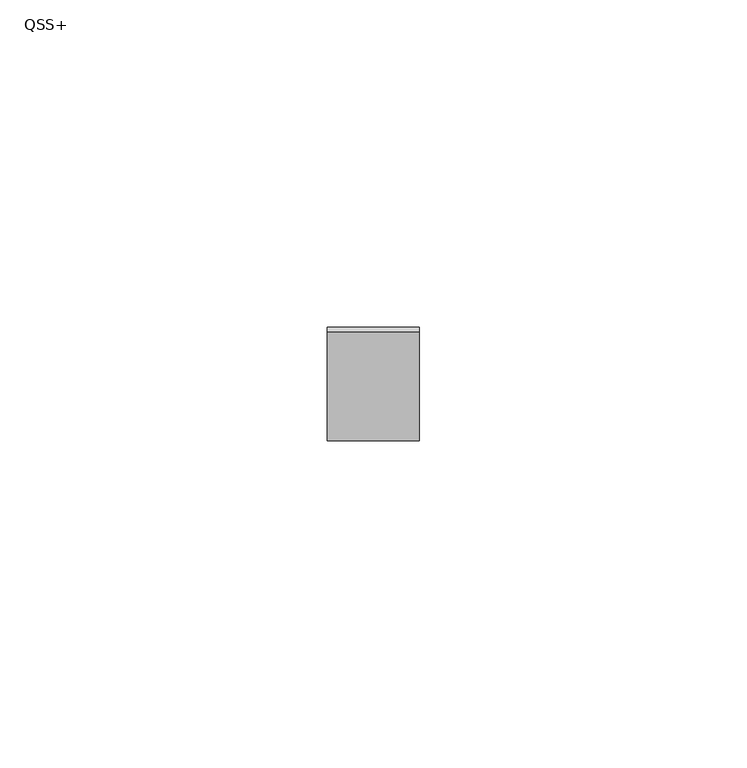
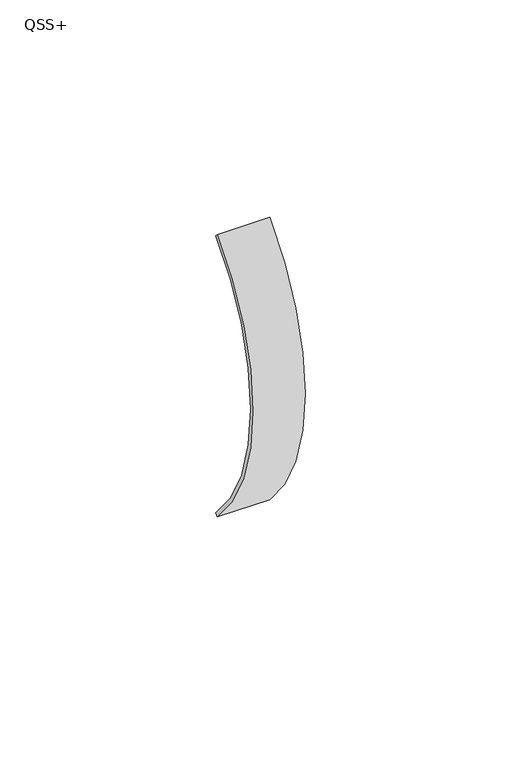
"""IFC4 building model written with IfcOpenShell, lengths in millimetres: proxy geometry, QSS+."""

from ifc_helpers import new_model, si_unit, point, frame, origin, origin_2d, place, context, project, spatial, polyline, circle_curve, trimmed, segment, composite_curve, outline, extrude, source, transform, mapped, element, save


def qss_be5e122d(model_context):
    return source(origin(), model_context, "Body", "SweptSolid", [
        extrude(outline(composite_curve([segment(trimmed(circle_curve(origin_2d(), 56.5), [point((-39.9515331, -39.9515331))], [point((-39.9515331, 39.9515331))], False, "CARTESIAN"), True, "CONTINUOUS"), segment(polyline([(-39.9515331, 39.9515331), (-39.2444264, 39.2444264)]), True, "CONTINUOUS"), segment(trimmed(circle_curve(origin_2d(), 55.5), [point((-39.2444264, 39.2444264))], [point((-39.2444264, -39.2444264))], True, "CARTESIAN"), True, "CONTINUOUS"), segment(polyline([(-39.2444264, -39.2444264), (-39.9515331, -39.9515331)]), True, "CONTINUOUS")], self_intersect=False)), frame((-7.0, 0.0, 0.0), z_axis=(1.0, 0.0, 0.0), x_axis=(0.0, 1.0, 0.0)), (0.0, 0.0, 1.0), 14.0),
    ])


if __name__ == "__main__":
    model = new_model("IFC4")
    model_context = context("Model", 3, world=origin())
    ifc_project = project(units=[si_unit("LENGTHUNIT", "METRE", prefix="MILLI")], contexts=[model_context])
    site = spatial("IfcSite", under=ifc_project)
    building = spatial("IfcBuilding", under=site)
    placement = place(None, origin())
    qss_shape = qss_be5e122d(model_context)
    element("IfcBuildingElementProxy", 1, Name="QSS+", ObjectType="QSS+", at=placement, inside=building, context=model_context, shape_type="MappedRepresentation", body=[
        mapped(qss_shape, transform((0.0, 0.0, 0.0), x_axis=(1.0, 0.0, 0.0), y_axis=(0.0, 1.0, 0.0), z_axis=(0.0, 0.0, 1.0))),
    ])
    save(model, "model.ifc")
